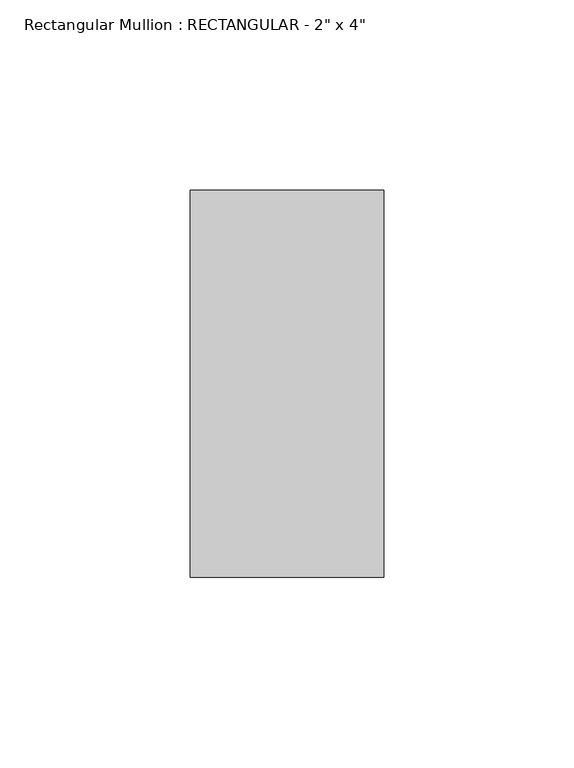
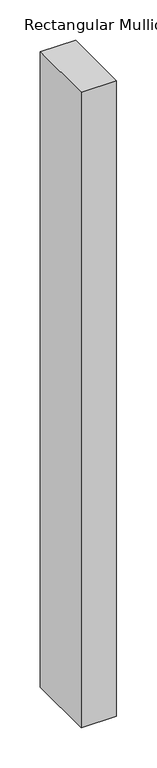
"""IFC4 building model written with IfcOpenShell, lengths in millimetres: member geometry."""

from ifc_helpers import new_model, si_unit, frame, origin, place, context, project, spatial, polyline, outline, extrude, source, transform, mapped, element, save


def member_bdb622db(model_context):
    return source(origin(), model_context, "Body", "SweptSolid", [
        extrude(outline(polyline([(0.0, 50.8), (0.0, -50.8), (-50.8, -50.8), (-50.8, 50.8), (0.0, 50.8)])), frame((0.0, 0.0, -965.2), z_axis=(0.0, 0.0, 1.0), x_axis=(1.0, 0.0, 0.0)), (0.0, 0.0, 1.0), 965.2),
    ])


if __name__ == "__main__":
    model = new_model("IFC4")
    model_context = context("Model", 3, world=origin())
    ifc_project = project(units=[si_unit("LENGTHUNIT", "METRE", prefix="MILLI")], contexts=[model_context])
    site = spatial("IfcSite", under=ifc_project)
    building = spatial("IfcBuilding", under=site)
    placement = place(None, origin())
    member_shape = member_bdb622db(model_context)
    element("IfcMember", 1, ObjectType="Rectangular Mullion : RECTANGULAR - 2\" x 4\"", at=placement, inside=building, context=model_context, shape_type="MappedRepresentation", body=[
        mapped(member_shape, transform((0.0, 0.0, 0.0), x_axis=(1.0, 0.0, 0.0), y_axis=(0.0, 1.0, 0.0), z_axis=(0.0, 0.0, 1.0))),
    ])
    save(model, "model.ifc")
